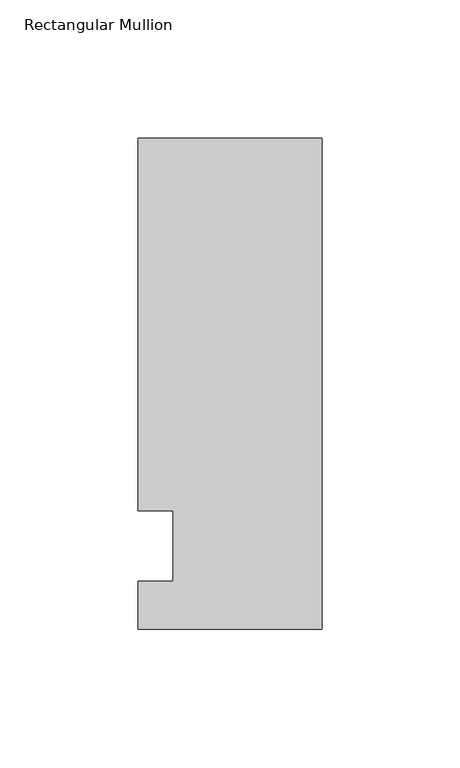
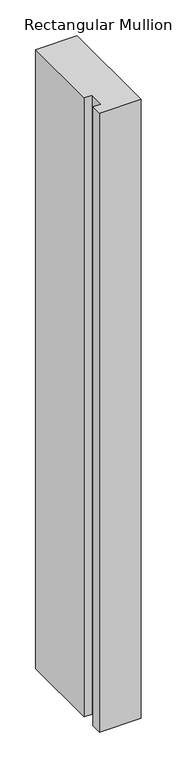
"""IFC4 building model written with IfcOpenShell, lengths in millimetres: member geometry, Rectangular Mullion."""

import ifcopenshell
import ifcopenshell.guid

model = None  # the IFC model being written
_history = None  # IfcOwnerHistory: only IFC2X3 demands one
_inside = {}  # id of a spatial element -> (the spatial element, [elements in it])
_under = {}  # id of a project, library or spatial element -> (it, [spatial elements below it])
_declared = {}  # id of a project -> (the project, [libraries it declares])
_typed = {}  # id of a type object -> (the type object, [elements of that type])
_made_of = {}  # id of a material, layer set ... -> (it, [elements and type objects made of it])


def new_model(schema):
    """Start an empty IFC model of exactly this schema.

    Asked for "IFC4X3", IfcOpenShell would pick the latest addendum, in which some entities
    have other attributes; the version numbers below select the first issue.
    IFC2X3 requires an IfcOwnerHistory on every rooted entity: one is made here for all.
    """
    global model, _history
    if schema == "IFC4X3":
        model = ifcopenshell.file(schema_version=(4, 3, 0, 0))
    else:
        model = ifcopenshell.file(schema=schema)
    _inside.clear()
    _under.clear()
    _declared.clear()
    _typed.clear()
    _made_of.clear()
    _history = None
    if model.schema == "IFC2X3":
        org = make("IfcOrganization", Name="unknown")
        user = make(
            "IfcPersonAndOrganization",
            ThePerson=make("IfcPerson", FamilyName="unknown"),
            TheOrganization=org,
        )
        app = make(
            "IfcApplication",
            ApplicationDeveloper=org,
            Version="unknown",
            ApplicationFullName="unknown",
            ApplicationIdentifier="unknown",
        )
        _history = make(
            "IfcOwnerHistory",
            OwningUser=user,
            OwningApplication=app,
            ChangeAction="ADDED",
            CreationDate=0,
        )
    return model


def make(cls, **values):
    """One entity of the class cls with the attributes given. An attribute that is None is left unset."""
    return model.create_entity(
        cls, **{name: value for name, value in values.items() if value is not None}
    )


def rooted(cls, **values):
    """An entity with a GlobalId (a new one), such as an element, a storey or a relation."""
    return make(cls, GlobalId=ifcopenshell.guid.new(), OwnerHistory=_history, **values)


def si_unit(unit_type, name, prefix=None):
    """IfcSIUnit, for example si_unit("LENGTHUNIT", "METRE", prefix="MILLI")."""
    return make("IfcSIUnit", UnitType=unit_type, Prefix=prefix, Name=name)


def assignment(units):
    """IfcUnitAssignment: the units of a project."""
    return None if units is None else make("IfcUnitAssignment", Units=units)


def point(xyz):
    """IfcCartesianPoint."""
    return None if xyz is None else make("IfcCartesianPoint", Coordinates=xyz)


def direction(xyz):
    """IfcDirection."""
    return None if xyz is None else make("IfcDirection", DirectionRatios=xyz)


def frame(location, z_axis=None, x_axis=None):
    """IfcAxis2Placement3D, a coordinate frame: its origin and axes. An axis left out is left unset."""
    return make(
        "IfcAxis2Placement3D",
        Location=point(location),
        Axis=direction(z_axis),
        RefDirection=direction(x_axis),
    )


def origin():
    """The frame at (0, 0, 0) with its axes left unset."""
    return frame((0.0, 0.0, 0.0))


def place(relative_to, where):
    """IfcLocalPlacement: puts the frame where relative to a parent placement (None: the world)."""
    return make(
        "IfcLocalPlacement", PlacementRelTo=relative_to, RelativePlacement=where
    )


def context(
    kind, dimensions, precision=None, world=None, true_north=None, identifier=None
):
    """IfcGeometricRepresentationContext, for example the 3D "Model" context."""
    return make(
        "IfcGeometricRepresentationContext",
        ContextIdentifier=identifier,
        ContextType=kind,
        CoordinateSpaceDimension=dimensions,
        Precision=precision,
        WorldCoordinateSystem=world,
        TrueNorth=true_north,
    )


def project(units=None, contexts=None):
    """IfcProject with its units and contexts."""
    return rooted(
        "IfcProject",
        Name="project",
        RepresentationContexts=contexts,
        UnitsInContext=assignment(units),
    )


def spatial(cls, under=None, at=None, **own):
    """A site, building, storey or space (cls), placed at a placement, below another one or the project."""
    s = rooted(cls, ObjectPlacement=at, **own)
    if under is not None:
        _under.setdefault(under.id(), (under, []))[1].append(s)
    return s


def polyline(points):
    """IfcPolyline through the points."""
    return make("IfcPolyline", Points=[point(p) for p in points])


def outline(outer, holes=None, kind="AREA"):
    """IfcArbitraryClosedProfileDef: a profile drawn as a closed curve; with holes, ...WithVoids."""
    if holes is None:
        return make("IfcArbitraryClosedProfileDef", ProfileType=kind, OuterCurve=outer)
    return make(
        "IfcArbitraryProfileDefWithVoids",
        ProfileType=kind,
        OuterCurve=outer,
        InnerCurves=holes,
    )


def extrude(swept, where, along, depth):
    """IfcExtrudedAreaSolid: the profile swept, set in the frame where, extruded along a direction by depth."""
    return make(
        "IfcExtrudedAreaSolid",
        SweptArea=swept,
        Position=where,
        ExtrudedDirection=direction(along),
        Depth=depth,
    )


def shape(context_of_items, identifier, shape_type, items):
    """IfcShapeRepresentation: the items that make up one representation, for example the "Body"."""
    return make(
        "IfcShapeRepresentation",
        ContextOfItems=context_of_items,
        RepresentationIdentifier=identifier,
        RepresentationType=shape_type,
        Items=items,
    )


def source(mapping_origin, context_of_items, identifier, shape_type, items):
    """IfcRepresentationMap: a shape defined once, which mapped items show again and again."""
    return make(
        "IfcRepresentationMap",
        MappingOrigin=mapping_origin,
        MappedRepresentation=shape(context_of_items, identifier, shape_type, items),
    )


def transform(
    local_origin,
    x_axis=None,
    y_axis=None,
    z_axis=None,
    scale=None,
    scale2=None,
    scale3=None,
    uniform=True,
):
    """IfcCartesianTransformationOperator3D, or its non-uniform kind. x_axis, y_axis, z_axis: its Axis1, 2, 3."""
    if uniform:
        return make(
            "IfcCartesianTransformationOperator3D",
            Axis1=direction(x_axis),
            Axis2=direction(y_axis),
            LocalOrigin=point(local_origin),
            Scale=scale,
            Axis3=direction(z_axis),
        )
    return make(
        "IfcCartesianTransformationOperator3DnonUniform",
        Axis1=direction(x_axis),
        Axis2=direction(y_axis),
        LocalOrigin=point(local_origin),
        Scale=scale,
        Axis3=direction(z_axis),
        Scale2=scale2,
        Scale3=scale3,
    )


def mapped(mapping_source, mapping_target):
    """IfcMappedItem: shows the shape of a source again, moved by a transform."""
    return make(
        "IfcMappedItem", MappingSource=mapping_source, MappingTarget=mapping_target
    )


def made_of(thing, what):
    """Note that an element or type object is made of a material, layer set ...; save() writes the relation."""
    if what is not None:
        _made_of.setdefault(what.id(), (what, []))[1].append(thing)
    return thing


def element(
    cls,
    number,
    at=None,
    inside=None,
    cuts=None,
    type_object=None,
    material=None,
    context=None,
    identifier="Body",
    shape_type=None,
    held_by="IfcProductDefinitionShape",
    body=None,
    shapes=None,
    **own,
):
    """One element of the class cls, such as IfcWall. Its Tag is "e" and its number.

    at: its placement. inside: the storey or other place that contains it. cuts: it is an
    opening in that element (IfcRelVoidsElement). A single representation is given by context,
    identifier, shape_type and body (its items); several are given by shapes. held_by: the class
    of the entity that holds the representations. save() writes the other relations.
    """
    e = rooted(cls, Tag="e%d" % number, ObjectPlacement=at, **own)
    if body is not None:
        shapes = [shape(context, identifier, shape_type, body)]
    if shapes is not None:
        e.Representation = make(held_by, Representations=shapes)
    if inside is not None:
        _inside.setdefault(inside.id(), (inside, []))[1].append(e)
    if cuts is not None:
        rooted(
            "IfcRelVoidsElement", RelatingBuildingElement=cuts, RelatedOpeningElement=e
        )
    if type_object is not None:
        _typed.setdefault(type_object.id(), (type_object, []))[1].append(e)
    return made_of(e, material)


def aggregate(whole, parts):
    """IfcRelAggregates: a whole, such as a stair, and the parts it consists of."""
    return rooted("IfcRelAggregates", RelatingObject=whole, RelatedObjects=parts)


def save(model, path):
    """Write the relations noted so far, then the file.

    IfcRelAggregates (storeys below a building ...), IfcRelContainedInSpatialStructure (elements
    in a storey), IfcRelDefinesByType, IfcRelAssociatesMaterial and IfcRelDeclares: one each for
    every whole, place, type object, material and project.
    """
    for whole, parts in _under.values():
        aggregate(whole, parts)
    for where, things in _inside.values():
        rooted(
            "IfcRelContainedInSpatialStructure",
            RelatedElements=things,
            RelatingStructure=where,
        )
    for kind, things in _typed.values():
        rooted("IfcRelDefinesByType", RelatedObjects=things, RelatingType=kind)
    for what, things in _made_of.values():
        rooted("IfcRelAssociatesMaterial", RelatedObjects=things, RelatingMaterial=what)
    for by, libraries in _declared.values():
        rooted("IfcRelDeclares", RelatingContext=by, RelatedDefinitions=libraries)
    model.write(path)


def rectangular_mullion_ce3abfb3(model_context):
    return source(origin(), model_context, "Body", "SweptSolid", [
        extrude(outline(polyline([(-66.675, 147.6375), (0.0, 147.6375), (0.0, -30.1625), (-66.675, -30.1625), (-66.675, -12.7), (-53.9732296, -12.7), (-53.9732296, 12.7), (-66.675, 12.7), (-66.675, 147.6375)])), frame((0.0, 0.0, -1052.9405973), z_axis=(0.0, 0.0, 1.0), x_axis=(1.0, 0.0, 0.0)), (0.0, 0.0, 1.0), 1052.9405973),
    ])


if __name__ == "__main__":
    model = new_model("IFC4")
    model_context = context("Model", 3, world=origin())
    ifc_project = project(units=[si_unit("LENGTHUNIT", "METRE", prefix="MILLI")], contexts=[model_context])
    site = spatial("IfcSite", under=ifc_project)
    building = spatial("IfcBuilding", under=site)
    placement = place(None, origin())
    rectangular_mullion_shape = rectangular_mullion_ce3abfb3(model_context)
    element("IfcMember", 1, ObjectType="Rectangular Mullion", at=placement, inside=building, context=model_context, shape_type="MappedRepresentation", body=[
        mapped(rectangular_mullion_shape, transform((0.0, 0.0, 0.0), x_axis=(1.0, 0.0, 0.0), y_axis=(0.0, 1.0, 0.0), z_axis=(0.0, 0.0, 1.0))),
    ])
    save(model, "model.ifc")
